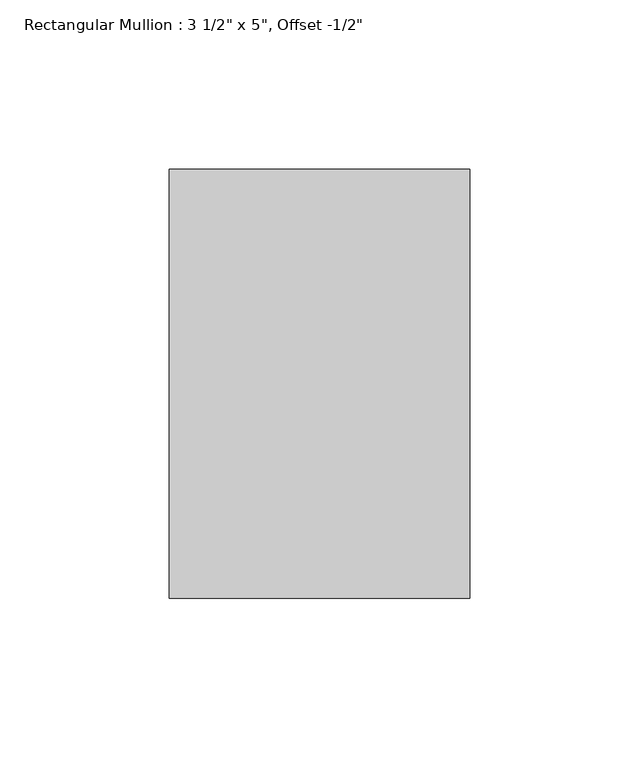
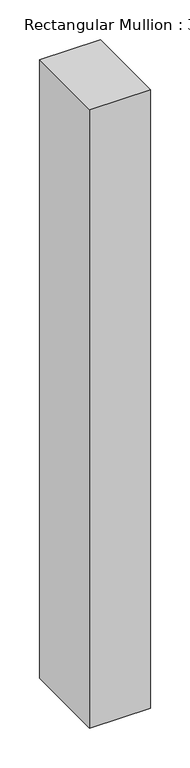
"""IFC4 building model written with IfcOpenShell, lengths in millimetres: member geometry."""

from ifc_helpers import new_model, si_unit, frame, origin, place, context, project, spatial, polyline, outline, extrude, source, transform, mapped, element, save


def member_53e0c9b7(model_context):
    return source(origin(), model_context, "Body", "SweptSolid", [
        extrude(outline(polyline([(44.45, 76.2), (44.45, -50.8), (-44.45, -50.8), (-44.45, 76.2), (44.45, 76.2)])), frame((0.0, 0.0, -954.0875), z_axis=(0.0, 0.0, 1.0), x_axis=(1.0, 0.0, 0.0)), (0.0, 0.0, 1.0), 954.0875),
    ])


if __name__ == "__main__":
    model = new_model("IFC4")
    model_context = context("Model", 3, world=origin())
    ifc_project = project(units=[si_unit("LENGTHUNIT", "METRE", prefix="MILLI")], contexts=[model_context])
    site = spatial("IfcSite", under=ifc_project)
    building = spatial("IfcBuilding", under=site)
    placement = place(None, origin())
    member_shape = member_53e0c9b7(model_context)
    element("IfcMember", 1, ObjectType="Rectangular Mullion : 3 1/2\" x 5\", Offset -1/2\"", at=placement, inside=building, context=model_context, shape_type="MappedRepresentation", body=[
        mapped(member_shape, transform((0.0, 0.0, 0.0), x_axis=(1.0, 0.0, 0.0), y_axis=(0.0, 1.0, 0.0), z_axis=(0.0, 0.0, 1.0))),
    ])
    save(model, "model.ifc")
